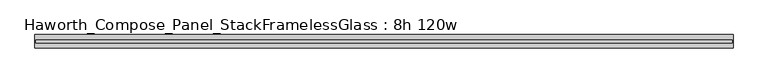
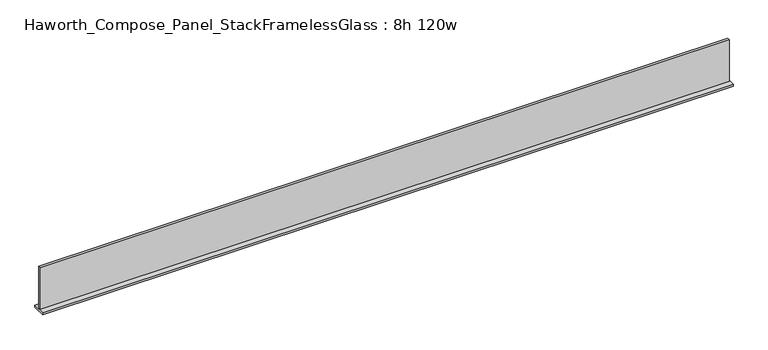
"""IFC4 building model written with IfcOpenShell, lengths in millimetres: furniture geometry, Haworth_Compose_Panel_StackFramelessGlass : 8h 120w."""

from ifc_helpers import new_model, si_unit, frame, origin, place, context, project, spatial, polyline, outline, extrude, source, transform, mapped, element, save


def haworth_compose_panel_stackframelessglass_8h_120w_de02f758(model_context):
    return source(origin(), model_context, "Body", "SweptSolid", [
        extrude(outline(polyline([(1523.2652902, -27.3093594), (-1518.3847098, -27.3093594), (-1518.3847098, -14.6093594), (1523.2652902, -14.6093594), (1523.2652902, -27.3093594)])), frame((0.0, 0.0, 1279.525), z_axis=(0.0, 0.0, 1.0), x_axis=(1.0, 0.0, 0.0)), (0.0, 0.0, 1.0), 193.675),
        extrude(outline(polyline([(-1521.5597098, -50.3281094), (-1521.5597098, 8.4093906), (1526.4402902, 8.4093906), (1526.4402902, -50.3281094), (-1521.5597098, -50.3281094)])), frame((0.0, 0.0, 1270.0), z_axis=(0.0, 0.0, 1.0), x_axis=(1.0, 0.0, 0.0)), (0.0, 0.0, 1.0), 9.525),
    ])


if __name__ == "__main__":
    model = new_model("IFC4")
    model_context = context("Model", 3, world=origin())
    ifc_project = project(units=[si_unit("LENGTHUNIT", "METRE", prefix="MILLI")], contexts=[model_context])
    site = spatial("IfcSite", under=ifc_project)
    building = spatial("IfcBuilding", under=site)
    placement = place(None, origin())
    haworth_compose_panel_stackframelessglass_8h_120w_shape = haworth_compose_panel_stackframelessglass_8h_120w_de02f758(model_context)
    element("IfcFurniture", 1, ObjectType="Haworth_Compose_Panel_StackFramelessGlass : 8h 120w", at=placement, inside=building, context=model_context, shape_type="MappedRepresentation", body=[
        mapped(haworth_compose_panel_stackframelessglass_8h_120w_shape, transform((0.0, 0.0, 0.0), x_axis=(1.0, 0.0, 0.0), y_axis=(0.0, 1.0, 0.0), z_axis=(0.0, 0.0, 1.0))),
    ])
    save(model, "model.ifc")
